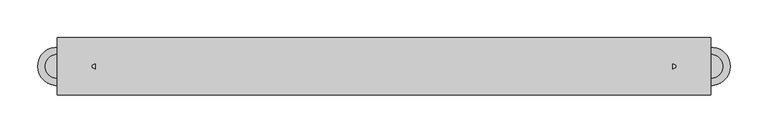
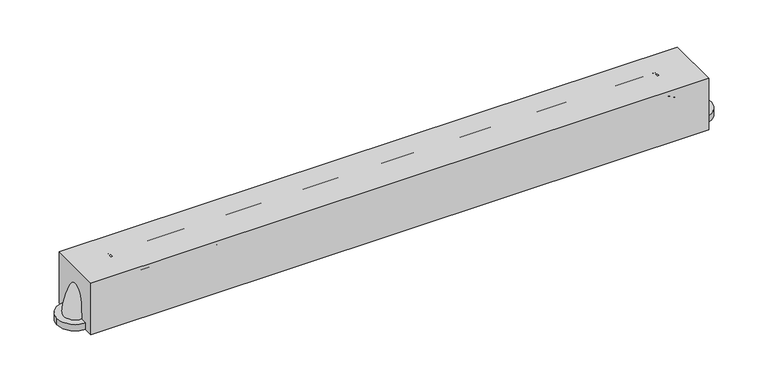
"""IFC4 building model written with IfcOpenShell, lengths in millimetres: proxy geometry."""

import ifcopenshell
import ifcopenshell.guid

model = None  # the IFC model being written
_history = None  # IfcOwnerHistory: only IFC2X3 demands one
_inside = {}  # id of a spatial element -> (the spatial element, [elements in it])
_under = {}  # id of a project, library or spatial element -> (it, [spatial elements below it])
_declared = {}  # id of a project -> (the project, [libraries it declares])
_typed = {}  # id of a type object -> (the type object, [elements of that type])
_made_of = {}  # id of a material, layer set ... -> (it, [elements and type objects made of it])


def new_model(schema):
    """Start an empty IFC model of exactly this schema.

    Asked for "IFC4X3", IfcOpenShell would pick the latest addendum, in which some entities
    have other attributes; the version numbers below select the first issue.
    IFC2X3 requires an IfcOwnerHistory on every rooted entity: one is made here for all.
    """
    global model, _history
    if schema == "IFC4X3":
        model = ifcopenshell.file(schema_version=(4, 3, 0, 0))
    else:
        model = ifcopenshell.file(schema=schema)
    _inside.clear()
    _under.clear()
    _declared.clear()
    _typed.clear()
    _made_of.clear()
    _history = None
    if model.schema == "IFC2X3":
        org = make("IfcOrganization", Name="unknown")
        user = make(
            "IfcPersonAndOrganization",
            ThePerson=make("IfcPerson", FamilyName="unknown"),
            TheOrganization=org,
        )
        app = make(
            "IfcApplication",
            ApplicationDeveloper=org,
            Version="unknown",
            ApplicationFullName="unknown",
            ApplicationIdentifier="unknown",
        )
        _history = make(
            "IfcOwnerHistory",
            OwningUser=user,
            OwningApplication=app,
            ChangeAction="ADDED",
            CreationDate=0,
        )
    return model


def make(cls, **values):
    """One entity of the class cls with the attributes given. An attribute that is None is left unset."""
    return model.create_entity(
        cls, **{name: value for name, value in values.items() if value is not None}
    )


def rooted(cls, **values):
    """An entity with a GlobalId (a new one), such as an element, a storey or a relation."""
    return make(cls, GlobalId=ifcopenshell.guid.new(), OwnerHistory=_history, **values)


def si_unit(unit_type, name, prefix=None):
    """IfcSIUnit, for example si_unit("LENGTHUNIT", "METRE", prefix="MILLI")."""
    return make("IfcSIUnit", UnitType=unit_type, Prefix=prefix, Name=name)


def assignment(units):
    """IfcUnitAssignment: the units of a project."""
    return None if units is None else make("IfcUnitAssignment", Units=units)


def point(xyz):
    """IfcCartesianPoint."""
    return None if xyz is None else make("IfcCartesianPoint", Coordinates=xyz)


def direction(xyz):
    """IfcDirection."""
    return None if xyz is None else make("IfcDirection", DirectionRatios=xyz)


def frame(location, z_axis=None, x_axis=None):
    """IfcAxis2Placement3D, a coordinate frame: its origin and axes. An axis left out is left unset."""
    return make(
        "IfcAxis2Placement3D",
        Location=point(location),
        Axis=direction(z_axis),
        RefDirection=direction(x_axis),
    )


def frame_2d(location, x_axis=None):
    """IfcAxis2Placement2D, a coordinate frame in the plane: its origin and x axis."""
    return make(
        "IfcAxis2Placement2D", Location=point(location), RefDirection=direction(x_axis)
    )


def origin():
    """The frame at (0, 0, 0) with its axes left unset."""
    return frame((0.0, 0.0, 0.0))


def origin_with_axes():
    """The frame at (0, 0, 0) with the z axis (0, 0, 1) and the x axis (1, 0, 0) written out."""
    return frame((0.0, 0.0, 0.0), z_axis=(0.0, 0.0, 1.0), x_axis=(1.0, 0.0, 0.0))


def place(relative_to, where):
    """IfcLocalPlacement: puts the frame where relative to a parent placement (None: the world)."""
    return make(
        "IfcLocalPlacement", PlacementRelTo=relative_to, RelativePlacement=where
    )


def context(
    kind, dimensions, precision=None, world=None, true_north=None, identifier=None
):
    """IfcGeometricRepresentationContext, for example the 3D "Model" context."""
    return make(
        "IfcGeometricRepresentationContext",
        ContextIdentifier=identifier,
        ContextType=kind,
        CoordinateSpaceDimension=dimensions,
        Precision=precision,
        WorldCoordinateSystem=world,
        TrueNorth=true_north,
    )


def project(units=None, contexts=None):
    """IfcProject with its units and contexts."""
    return rooted(
        "IfcProject",
        Name="project",
        RepresentationContexts=contexts,
        UnitsInContext=assignment(units),
    )


def spatial(cls, under=None, at=None, **own):
    """A site, building, storey or space (cls), placed at a placement, below another one or the project."""
    s = rooted(cls, ObjectPlacement=at, **own)
    if under is not None:
        _under.setdefault(under.id(), (under, []))[1].append(s)
    return s


def polyline(points):
    """IfcPolyline through the points."""
    return make("IfcPolyline", Points=[point(p) for p in points])


def circle_curve(where, radius):
    """IfcCircle in the frame where."""
    return make("IfcCircle", Position=where, Radius=radius)


def ellipse_curve(where, semi_axis1, semi_axis2):
    """IfcEllipse in the frame where."""
    return make(
        "IfcEllipse", Position=where, SemiAxis1=semi_axis1, SemiAxis2=semi_axis2
    )


def trimmed(basis, trim1, trim2, sense, master):
    """IfcTrimmedCurve: the piece of a basis curve between two trims."""
    return make(
        "IfcTrimmedCurve",
        BasisCurve=basis,
        Trim1=trim1,
        Trim2=trim2,
        SenseAgreement=sense,
        MasterRepresentation=master,
    )


def segment(curve, same_sense, transition):
    """IfcCompositeCurveSegment."""
    return make(
        "IfcCompositeCurveSegment",
        Transition=transition,
        SameSense=same_sense,
        ParentCurve=curve,
    )


def composite_curve(segments, self_intersect=None):
    """IfcCompositeCurve: segments joined end to end."""
    return make("IfcCompositeCurve", Segments=segments, SelfIntersect=self_intersect)


def outline(outer, holes=None, kind="AREA"):
    """IfcArbitraryClosedProfileDef: a profile drawn as a closed curve; with holes, ...WithVoids."""
    if holes is None:
        return make("IfcArbitraryClosedProfileDef", ProfileType=kind, OuterCurve=outer)
    return make(
        "IfcArbitraryProfileDefWithVoids",
        ProfileType=kind,
        OuterCurve=outer,
        InnerCurves=holes,
    )


def extrude(swept, where, along, depth):
    """IfcExtrudedAreaSolid: the profile swept, set in the frame where, extruded along a direction by depth."""
    return make(
        "IfcExtrudedAreaSolid",
        SweptArea=swept,
        Position=where,
        ExtrudedDirection=direction(along),
        Depth=depth,
    )


def shape(context_of_items, identifier, shape_type, items):
    """IfcShapeRepresentation: the items that make up one representation, for example the "Body"."""
    return make(
        "IfcShapeRepresentation",
        ContextOfItems=context_of_items,
        RepresentationIdentifier=identifier,
        RepresentationType=shape_type,
        Items=items,
    )


def source(mapping_origin, context_of_items, identifier, shape_type, items):
    """IfcRepresentationMap: a shape defined once, which mapped items show again and again."""
    return make(
        "IfcRepresentationMap",
        MappingOrigin=mapping_origin,
        MappedRepresentation=shape(context_of_items, identifier, shape_type, items),
    )


def transform(
    local_origin,
    x_axis=None,
    y_axis=None,
    z_axis=None,
    scale=None,
    scale2=None,
    scale3=None,
    uniform=True,
):
    """IfcCartesianTransformationOperator3D, or its non-uniform kind. x_axis, y_axis, z_axis: its Axis1, 2, 3."""
    if uniform:
        return make(
            "IfcCartesianTransformationOperator3D",
            Axis1=direction(x_axis),
            Axis2=direction(y_axis),
            LocalOrigin=point(local_origin),
            Scale=scale,
            Axis3=direction(z_axis),
        )
    return make(
        "IfcCartesianTransformationOperator3DnonUniform",
        Axis1=direction(x_axis),
        Axis2=direction(y_axis),
        LocalOrigin=point(local_origin),
        Scale=scale,
        Axis3=direction(z_axis),
        Scale2=scale2,
        Scale3=scale3,
    )


def mapped(mapping_source, mapping_target):
    """IfcMappedItem: shows the shape of a source again, moved by a transform."""
    return make(
        "IfcMappedItem", MappingSource=mapping_source, MappingTarget=mapping_target
    )


def made_of(thing, what):
    """Note that an element or type object is made of a material, layer set ...; save() writes the relation."""
    if what is not None:
        _made_of.setdefault(what.id(), (what, []))[1].append(thing)
    return thing


def element(
    cls,
    number,
    at=None,
    inside=None,
    cuts=None,
    type_object=None,
    material=None,
    context=None,
    identifier="Body",
    shape_type=None,
    held_by="IfcProductDefinitionShape",
    body=None,
    shapes=None,
    **own,
):
    """One element of the class cls, such as IfcWall. Its Tag is "e" and its number.

    at: its placement. inside: the storey or other place that contains it. cuts: it is an
    opening in that element (IfcRelVoidsElement). A single representation is given by context,
    identifier, shape_type and body (its items); several are given by shapes. held_by: the class
    of the entity that holds the representations. save() writes the other relations.
    """
    e = rooted(cls, Tag="e%d" % number, ObjectPlacement=at, **own)
    if body is not None:
        shapes = [shape(context, identifier, shape_type, body)]
    if shapes is not None:
        e.Representation = make(held_by, Representations=shapes)
    if inside is not None:
        _inside.setdefault(inside.id(), (inside, []))[1].append(e)
    if cuts is not None:
        rooted(
            "IfcRelVoidsElement", RelatingBuildingElement=cuts, RelatedOpeningElement=e
        )
    if type_object is not None:
        _typed.setdefault(type_object.id(), (type_object, []))[1].append(e)
    return made_of(e, material)


def aggregate(whole, parts):
    """IfcRelAggregates: a whole, such as a stair, and the parts it consists of."""
    return rooted("IfcRelAggregates", RelatingObject=whole, RelatedObjects=parts)


def save(model, path):
    """Write the relations noted so far, then the file.

    IfcRelAggregates (storeys below a building ...), IfcRelContainedInSpatialStructure (elements
    in a storey), IfcRelDefinesByType, IfcRelAssociatesMaterial and IfcRelDeclares: one each for
    every whole, place, type object, material and project.
    """
    for whole, parts in _under.values():
        aggregate(whole, parts)
    for where, things in _inside.values():
        rooted(
            "IfcRelContainedInSpatialStructure",
            RelatedElements=things,
            RelatingStructure=where,
        )
    for kind, things in _typed.values():
        rooted("IfcRelDefinesByType", RelatedObjects=things, RelatingType=kind)
    for what, things in _made_of.values():
        rooted("IfcRelAssociatesMaterial", RelatedObjects=things, RelatingMaterial=what)
    for by, libraries in _declared.values():
        rooted("IfcRelDeclares", RelatingContext=by, RelatedDefinitions=libraries)
    model.write(path)


def plane_surface(at):
    """IfcPlane: the flat surface through the origin of the frame at, square to its z axis."""
    return make("IfcPlane", Position=at)


def revolved_surface(curve, axis_point, axis_direction):
    """IfcSurfaceOfRevolution: the curve turned about the line through axis_point along axis_direction."""
    return make(
        "IfcSurfaceOfRevolution",
        SweptCurve=make("IfcArbitraryOpenProfileDef", ProfileType="CURVE", Curve=curve),
        AxisPosition=make("IfcAxis1Placement", Location=point(axis_point), Axis=direction(axis_direction)),
    )


def advanced_brep(points, edges, surfaces, faces):
    """IfcAdvancedBrep: a solid bounded by faces that lie on surfaces and meet in shared edges.

    An edge is (start, end): straight between two places in points (the first is 0);
    or (start, end, curve); or (start, end, curve, False) where it runs against its curve.
    A face is (place in surfaces, loops), or (place, loops, False) where it looks against
    its surface's normal. A loop lists edges by number (the first is 1), with a minus sign
    where the edge is run from its end to its start. The first loop is the outer one.
    """
    corners = [point(p) for p in points]
    vertices = [make("IfcVertexPoint", VertexGeometry=c) for c in corners]
    made = []
    for start, end, *more in edges:
        made.append(
            make(
                "IfcEdgeCurve",
                EdgeStart=vertices[start],
                EdgeEnd=vertices[end],
                EdgeGeometry=more[0] if more else make("IfcPolyline", Points=[corners[start], corners[end]]),
                SameSense=more[1] if len(more) > 1 else True,
            )
        )
    hull = []
    for where, loops, *sense in faces:
        bounds = []
        for j, loop in enumerate(loops):
            ring = [make("IfcOrientedEdge", EdgeElement=made[abs(k) - 1], Orientation=k > 0) for k in loop]
            bounds.append(
                make(
                    "IfcFaceOuterBound" if j == 0 else "IfcFaceBound",
                    Bound=make("IfcEdgeLoop", EdgeList=ring),
                    Orientation=True,
                )
            )
        hull.append(make("IfcAdvancedFace", Bounds=bounds, FaceSurface=surfaces[where], SameSense=sense[0] if sense else True))
    return make("IfcAdvancedBrep", Outer=make("IfcClosedShell", CfsFaces=hull))


def specialty_equipment_717dfb8c(model_context):
    return source(origin(), model_context, "Body", "SolidModel", [
        advanced_brep(
        [(381.7182679, 15.875, 60.325), (381.7182679, -15.875, 60.325), (432.5182679, 15.875, 9.525), (432.5182679, -15.875, 9.525)],
        [
            (0, 1, circle_curve(frame((381.7182679, 0.0, 60.325), z_axis=(-1.0, 0.0, 0.0), x_axis=(0.0, -1.0, 0.0)), 15.875)),
            (1, 0, circle_curve(frame((381.7182679, 0.0, 60.325), z_axis=(-1.0, 0.0, 0.0), x_axis=(0.0, -1.0, 0.0)), 15.875)),
            (2, 3, circle_curve(frame((432.5182679, 0.0, 9.525), z_axis=(0.0, 0.0, -1.0), x_axis=(0.0, -1.0, 0.0)), 15.875)),
            (3, 2, circle_curve(frame((432.5182679, 0.0, 9.525), z_axis=(0.0, 0.0, -1.0), x_axis=(0.0, -1.0, 0.0)), 15.875)),
            (2, 0, circle_curve(frame((381.7182679, 15.875, 9.525), z_axis=(0.0, -1.0, 0.0), x_axis=(0.0, 0.0, 1.0)), 50.8)),
            (1, 3, circle_curve(frame((381.7182679, -15.875, 9.525), z_axis=(0.0, 1.0, 0.0), x_axis=(0.0, 0.0, 1.0)), 50.8)),
        ],
        [
            plane_surface(frame((381.7182679, 0.0, 60.325), z_axis=(-1.0, 0.0, 0.0), x_axis=(0.0, -1.0, 0.0))),
            plane_surface(frame((432.5182679, 0.0, 9.525), z_axis=(0.0, 0.0, -1.0), x_axis=(0.0, -1.0, 0.0))),
            revolved_surface(trimmed(ellipse_curve(frame((381.7182679, 0.0, 60.325), z_axis=(1.0, 0.0, 0.0), x_axis=(0.0, -1.0, 0.0)), 15.875, 15.875), [point((381.7182679, 15.875, 60.325))], [point((381.7182679, -15.875, 60.325))], True, "CARTESIAN"), (381.7182679, 0.0, 9.525), (0.0, -1.0, 0.0)),
            revolved_surface(trimmed(ellipse_curve(frame((381.7182679, 0.0, 60.325), z_axis=(1.0, 0.0, 0.0), x_axis=(0.0, -1.0, 0.0)), 15.875, 15.875), [point((381.7182679, -15.875, 60.325))], [point((381.7182679, 15.875, 60.325))], True, "CARTESIAN"), (381.7182679, 0.0, 9.525), (0.0, -1.0, 0.0)),
        ],
        [
            (0, [[1, 2]]),
            (1, [[3, 4]]),
            (2, [[-3, 5, -2, 6]]),
            (3, [[-4, -6, -1, -5]]),
        ],
    ),
        extrude(outline(composite_curve([segment(trimmed(circle_curve(frame_2d((432.5182679, 0.0)), 25.4), [point((457.9182679, 0.0))], [point((407.1182679, 0.0))], False, "CARTESIAN"), True, "CONTINUOUS"), segment(trimmed(circle_curve(frame_2d((432.5182679, 0.0)), 25.4), [point((407.1182679, 0.0))], [point((457.9182679, 0.0))], False, "CARTESIAN"), True, "CONTINUOUS")], self_intersect=False)), origin_with_axes(), (0.0, 0.0, 1.0), 9.525),
        advanced_brep(
        [(-381.7182679, 15.875, 60.325), (-381.7182679, -15.875, 60.325), (-432.5182679, 15.875, 9.525), (-432.5182679, -15.875, 9.525)],
        [
            (0, 1, circle_curve(frame((-381.7182679, 0.0, 60.325), z_axis=(1.0, 0.0, 0.0), x_axis=(0.0, -1.0, 0.0)), 15.875)),
            (1, 0, circle_curve(frame((-381.7182679, 0.0, 60.325), z_axis=(1.0, 0.0, 0.0), x_axis=(0.0, -1.0, 0.0)), 15.875)),
            (2, 3, circle_curve(frame((-432.5182679, 0.0, 9.525), z_axis=(0.0, 0.0, -1.0), x_axis=(0.0, -1.0, 0.0)), 15.875)),
            (3, 2, circle_curve(frame((-432.5182679, 0.0, 9.525), z_axis=(0.0, 0.0, -1.0), x_axis=(0.0, -1.0, 0.0)), 15.875)),
            (3, 1, circle_curve(frame((-381.7182679, -15.875, 9.525), z_axis=(0.0, 1.0, 0.0), x_axis=(0.0, 0.0, 1.0)), 50.8)),
            (0, 2, circle_curve(frame((-381.7182679, 15.875, 9.525), z_axis=(0.0, -1.0, 0.0), x_axis=(0.0, 0.0, 1.0)), 50.8)),
        ],
        [
            plane_surface(frame((-381.7182679, 0.0, 60.325), z_axis=(1.0, 0.0, 0.0), x_axis=(0.0, -1.0, 0.0))),
            plane_surface(frame((-432.5182679, 0.0, 9.525), z_axis=(0.0, 0.0, -1.0), x_axis=(0.0, -1.0, 0.0))),
            revolved_surface(trimmed(ellipse_curve(frame((-381.7182679, 0.0, 60.325), z_axis=(1.0, 0.0, 0.0), x_axis=(0.0, -1.0, 0.0)), 15.875, 15.875), [point((-381.7182679, 15.875, 60.325))], [point((-381.7182679, -15.875, 60.325))], True, "CARTESIAN"), (-381.7182679, 0.0, 9.525), (0.0, -1.0, 0.0)),
            revolved_surface(trimmed(ellipse_curve(frame((-381.7182679, 0.0, 60.325), z_axis=(1.0, 0.0, 0.0), x_axis=(0.0, -1.0, 0.0)), 15.875, 15.875), [point((-381.7182679, -15.875, 60.325))], [point((-381.7182679, 15.875, 60.325))], True, "CARTESIAN"), (-381.7182679, 0.0, 9.525), (0.0, -1.0, 0.0)),
        ],
        [
            (0, [[1, 2]]),
            (1, [[3, 4]]),
            (2, [[5, -1, 6, -4]]),
            (3, [[-6, -2, -5, -3]]),
        ],
    ),
        extrude(outline(composite_curve([segment(trimmed(circle_curve(frame_2d((-432.5182679, 0.0)), 25.4), [point((-457.9182679, 0.0))], [point((-407.1182679, 0.0))], False, "CARTESIAN"), True, "CONTINUOUS"), segment(trimmed(circle_curve(frame_2d((-432.5182679, 0.0)), 25.4), [point((-407.1182679, 0.0))], [point((-457.9182679, 0.0))], False, "CARTESIAN"), True, "CONTINUOUS")], self_intersect=False)), origin_with_axes(), (0.0, 0.0, 1.0), 9.525),
        extrude(outline(polyline([(432.5182679, -38.1), (-432.5182679, -38.1), (-432.5182679, 38.1), (432.5182679, 38.1), (432.5182679, -38.1)])), origin_with_axes(), (0.0, 0.0, 1.0), 76.2),
        extrude(outline(composite_curve([segment(trimmed(circle_curve(frame_2d((0.0, 60.325)), 15.875), [point((-15.875, 60.325))], [point((15.875, 60.325))], False, "CARTESIAN"), True, "CONTINUOUS"), segment(trimmed(circle_curve(frame_2d((0.0, 60.325)), 15.875), [point((15.875, 60.325))], [point((-15.875, 60.325))], False, "CARTESIAN"), True, "CONTINUOUS")], self_intersect=False)), frame((-381.7182679, 0.0, 0.0), z_axis=(1.0, 0.0, 0.0), x_axis=(0.0, 1.0, 0.0)), (0.0, 0.0, 1.0), 763.4365358),
    ])


if __name__ == "__main__":
    model = new_model("IFC4")
    model_context = context("Model", 3, world=origin())
    ifc_project = project(units=[si_unit("LENGTHUNIT", "METRE", prefix="MILLI")], contexts=[model_context])
    site = spatial("IfcSite", under=ifc_project)
    building = spatial("IfcBuilding", under=site)
    placement = place(None, origin())
    specialty_equipment_shape = specialty_equipment_717dfb8c(model_context)
    element("IfcBuildingElementProxy", 1, Name="Specialty Equipment", at=placement, inside=building, context=model_context, shape_type="MappedRepresentation", body=[
        mapped(specialty_equipment_shape, transform((0.0, 0.0, 0.0), x_axis=(1.0, 0.0, 0.0), y_axis=(0.0, 1.0, 0.0), z_axis=(0.0, 0.0, 1.0))),
    ])
    save(model, "model.ifc")
